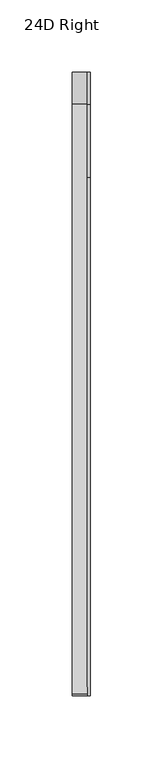
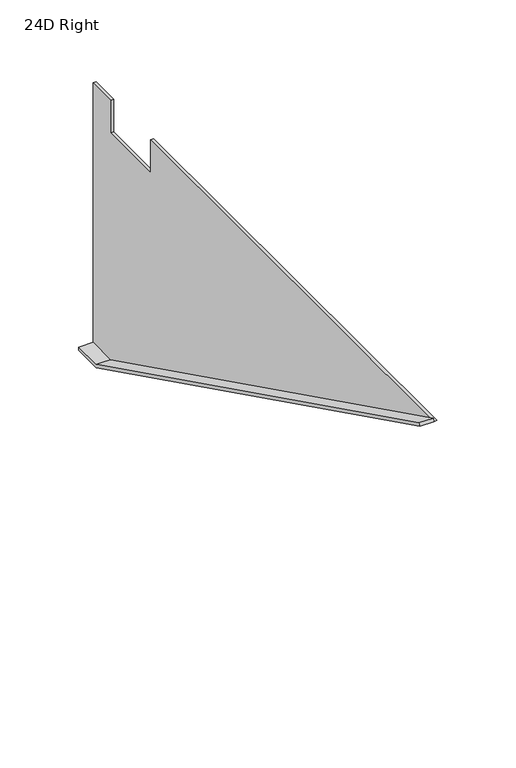
"""IFC4 building model written with IfcOpenShell, lengths in millimetres: furniture geometry, 24D Right."""

from ifc_helpers import new_model, si_unit, frame, origin, place, context, project, spatial, polyline, outline, extrude, source, transform, mapped, element, save


def furniture_24d_right_37112998(model_context):
    return source(origin(), model_context, "Body", "SweptSolid", [
        extrude(outline(polyline([(254.0, 734.1235), (254.0, 731.8375), (231.775, 731.8375), (-178.0807823, 935.0375), (-177.0653655, 937.0856027), (232.3105764, 734.1235), (254.0, 734.1235)])), frame((-12.7, 0.0, 0.0), z_axis=(1.0, 0.0, 0.0), x_axis=(0.0, 1.0, 0.0)), (0.0, 0.0, 1.0), 10.414),
        extrude(outline(polyline([(254.0, 935.0375), (254.0, 731.8375), (231.775, 731.8375), (-178.0807823, 935.0375), (180.975, 935.0375), (180.975, 909.6375), (231.775, 909.6375), (231.775, 935.0375), (254.0, 935.0375)])), frame((-2.286, 0.0, 0.0), z_axis=(1.0, 0.0, 0.0), x_axis=(0.0, 1.0, 0.0)), (0.0, 0.0, 1.0), 2.286),
    ])


if __name__ == "__main__":
    model = new_model("IFC4")
    model_context = context("Model", 3, world=origin())
    ifc_project = project(units=[si_unit("LENGTHUNIT", "METRE", prefix="MILLI")], contexts=[model_context])
    site = spatial("IfcSite", under=ifc_project)
    building = spatial("IfcBuilding", under=site)
    placement = place(None, origin())
    furniture_24d_right_shape = furniture_24d_right_37112998(model_context)
    element("IfcFurniture", 1, ObjectType="24D Right", at=placement, inside=building, context=model_context, shape_type="MappedRepresentation", body=[
        mapped(furniture_24d_right_shape, transform((0.0, 0.0, 0.0), x_axis=(1.0, 0.0, 0.0), y_axis=(0.0, 1.0, 0.0), z_axis=(0.0, 0.0, 1.0))),
    ])
    save(model, "model.ifc")
